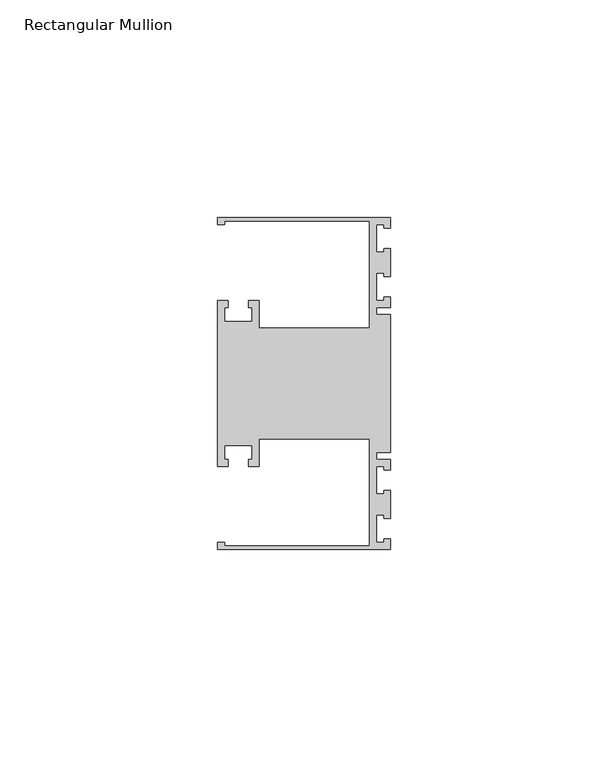
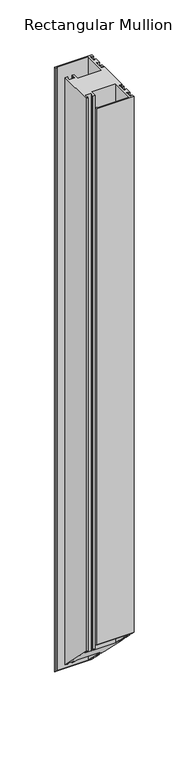
"""IFC4 building model written with IfcOpenShell, lengths in millimetres: member geometry, Rectangular Mullion."""

from ifc_helpers import new_model, si_unit, origin, place, context, project, spatial, faceted_brep, source, transform, mapped, element, save


def rectangular_mullion_d10d260d(model_context):
    return source(origin(), model_context, "Body", "Brep", [
        faceted_brep([(0.0, 38.1, 0.0), (-39.6875, 38.1, 0.0), (-39.6875, 36.5125, 0.0), (-38.1, 36.5125, 0.0), (-38.1, 37.30625, 0.0), (-4.7625, 37.30625, 0.0), (-4.7625, 12.7, 0.0), (-30.1625, 12.7, 0.0), (-30.1625, 19.05, 0.0), (-32.54375, 19.05, 0.0), (-32.54375, 17.4625, 0.0), (-31.75, 17.4625, 0.0), (-31.75, 14.2875, 0.0), (-38.1, 14.2875, 0.0), (-38.1, 17.4625, 0.0), (-37.30625, 17.4625, 0.0), (-37.30625, 19.05, 0.0), (-39.6875, 19.05, 0.0), (-39.6875, -19.05, 0.0), (-37.30625, -19.05, 0.0), (-37.30625, -17.4625, 0.0), (-38.1, -17.4625, 0.0), (-38.1, -14.2875, 0.0), (-31.75, -14.2875, 0.0), (-31.75, -17.4625, 0.0), (-32.54375, -17.4625, 0.0), (-32.54375, -19.05, 0.0), (-30.1625, -19.05, 0.0), (-30.1625, -12.7, 0.0), (-4.7625, -12.7, 0.0), (-4.7625, -37.30625, 0.0), (-38.1, -37.30625, 0.0), (-38.1, -36.5125, 0.0), (-39.6875, -36.5125, 0.0), (-39.6875, -38.1, 0.0), (0.0, -38.1, 0.0), (0.0, -35.71875, 0.0), (-1.4999946, -35.71875, 0.0), (-1.4999946, -36.5125, 0.0), (-3.175, -36.5125, 0.0), (-3.175, -30.1625, 0.0), (-1.4999946, -30.1625, 0.0), (-1.4999946, -30.95625, 0.0), (0.0, -30.95625, 0.0), (0.0, -24.60625, 0.0), (-1.4999946, -24.60625, 0.0), (-1.4999946, -25.4, 0.0), (-3.175, -25.4, 0.0), (-3.175, -19.05, 0.0), (-1.4999946, -19.05, 0.0), (-1.4999946, -19.84375, 0.0), (0.0, -19.84375, 0.0), (0.0, -17.4625, 0.0), (-3.175, -17.4625, 0.0), (-3.175, -15.875, 0.0), (0.0, -15.875, 0.0), (0.0, 15.875, 0.0), (-3.175, 15.875, 0.0), (-3.175, 17.4625, 0.0), (0.0, 17.4625, 0.0), (0.0, 19.84375, 0.0), (-1.4999946, 19.84375, 0.0), (-1.4999946, 19.05, 0.0), (-3.175, 19.05, 0.0), (-3.175, 25.4, 0.0), (-1.4999946, 25.4, 0.0), (-1.4999946, 24.60625, 0.0), (0.0, 24.60625, 0.0), (0.0, 30.95625, 0.0), (-1.4999946, 30.95625, 0.0), (-1.4999946, 30.1625, 0.0), (-3.175, 30.1625, 0.0), (-3.175, 36.5125, 0.0), (-1.4999946, 36.5125, 0.0), (-1.4999946, 35.71875, 0.0), (0.0, 35.71875, 0.0), (0.0, 38.1, -673.1), (-39.6875, 38.1, -673.1), (-39.6875, 36.5125, -671.5125), (-38.1, 36.5125, -671.5125), (-38.1, 37.30625, -672.30625), (-4.7625, 37.30625, -672.30625), (-4.7625, 12.7, -647.7), (-30.1625, 12.7, -647.7), (-30.1625, 19.05, -654.05), (-32.54375, 19.05, -654.05), (-32.54375, 17.4625, -652.4625), (-31.75, 17.4625, -652.4625), (-31.75, 14.2875, -649.2875), (-38.1, 14.2875, -649.2875), (-38.1, 17.4625, -652.4625), (-37.30625, 17.4625, -652.4625), (-37.30625, 19.05, -654.05), (-39.6875, 19.05, -654.05), (-39.6875, -19.05, -615.95), (-37.30625, -19.05, -615.95), (-37.30625, -17.4625, -617.5375), (-38.1, -17.4625, -617.5375), (-38.1, -14.2875, -620.7125), (-31.75, -14.2875, -620.7125), (-31.75, -17.4625, -617.5375), (-32.54375, -17.4625, -617.5375), (-32.54375, -19.05, -615.95), (-30.1625, -19.05, -615.95), (-30.1625, -12.7, -622.3), (-4.7625, -12.7, -622.3), (-4.7625, -37.30625, -597.69375), (-38.1, -37.30625, -597.69375), (-38.1, -36.5125, -598.4875), (-39.6875, -36.5125, -598.4875), (-39.6875, -38.1, -596.9), (0.0, -38.1, -596.9), (0.0, -35.71875, -599.28125), (-1.4999946, -35.71875, -599.28125), (-1.4999946, -36.5125, -598.4875), (-3.175, -36.5125, -598.4875), (-3.175, -30.1625, -604.8375), (-1.4999946, -30.1625, -604.8375), (-1.4999946, -30.95625, -604.04375), (0.0, -30.95625, -604.04375), (0.0, -24.60625, -610.39375), (-1.4999946, -24.60625, -610.39375), (-1.4999946, -25.4, -609.6), (-3.175, -25.4, -609.6), (-3.175, -19.05, -615.95), (-1.4999946, -19.05, -615.95), (-1.4999946, -19.84375, -615.15625), (0.0, -19.84375, -615.15625), (0.0, -17.4625, -617.5375), (-3.175, -17.4625, -617.5375), (-3.175, -15.875, -619.125), (0.0, -15.875, -619.125), (0.0, 15.875, -650.875), (-3.175, 15.875, -650.875), (-3.175, 17.4625, -652.4625), (0.0, 17.4625, -652.4625), (0.0, 19.84375, -654.84375), (-1.4999946, 19.84375, -654.84375), (-1.4999946, 19.05, -654.05), (-3.175, 19.05, -654.05), (-3.175, 25.4, -660.4), (-1.4999946, 25.4, -660.4), (-1.4999946, 24.60625, -659.60625), (0.0, 24.60625, -659.60625), (0.0, 30.95625, -665.95625), (-1.4999946, 30.95625, -665.95625), (-1.4999946, 30.1625, -665.1625), (-3.175, 30.1625, -665.1625), (-3.175, 36.5125, -671.5125), (-1.4999946, 36.5125, -671.5125), (-1.4999946, 35.71875, -670.71875), (0.0, 35.71875, -670.71875)], [[[0, 1, 2, 3, 4, 5, 6, 7, 8, 9, 10, 11, 12, 13, 14, 15, 16, 17, 18, 19, 20, 21, 22, 23, 24, 25, 26, 27, 28, 29, 30, 31, 32, 33, 34, 35, 36, 37, 38, 39, 40, 41, 42, 43, 44, 45, 46, 47, 48, 49, 50, 51, 52, 53, 54, 55, 56, 57, 58, 59, 60, 61, 62, 63, 64, 65, 66, 67, 68, 69, 70, 71, 72, 73, 74, 75]], [[1, 0, 76, 77]], [[2, 1, 77, 78]], [[3, 2, 78, 79]], [[4, 3, 79, 80]], [[5, 4, 80, 81]], [[6, 5, 81, 82]], [[7, 6, 82, 83]], [[8, 7, 83, 84]], [[9, 8, 84, 85]], [[10, 9, 85, 86]], [[11, 10, 86, 87]], [[12, 11, 87, 88]], [[13, 12, 88, 89]], [[14, 13, 89, 90]], [[15, 14, 90, 91]], [[16, 15, 91, 92]], [[17, 16, 92, 93]], [[18, 17, 93, 94]], [[19, 18, 94, 95]], [[20, 19, 95, 96]], [[21, 20, 96, 97]], [[22, 21, 97, 98]], [[23, 22, 98, 99]], [[24, 23, 99, 100]], [[25, 24, 100, 101]], [[26, 25, 101, 102]], [[27, 26, 102, 103]], [[28, 27, 103, 104]], [[29, 28, 104, 105]], [[30, 29, 105, 106]], [[31, 30, 106, 107]], [[32, 31, 107, 108]], [[33, 32, 108, 109]], [[34, 33, 109, 110]], [[35, 34, 110, 111]], [[36, 35, 111, 112]], [[37, 36, 112, 113]], [[38, 37, 113, 114]], [[39, 38, 114, 115]], [[40, 39, 115, 116]], [[41, 40, 116, 117]], [[42, 41, 117, 118]], [[43, 42, 118, 119]], [[44, 43, 119, 120]], [[45, 44, 120, 121]], [[46, 45, 121, 122]], [[47, 46, 122, 123]], [[48, 47, 123, 124]], [[49, 48, 124, 125]], [[50, 49, 125, 126]], [[51, 50, 126, 127]], [[52, 51, 127, 128]], [[53, 52, 128, 129]], [[54, 53, 129, 130]], [[55, 54, 130, 131]], [[56, 55, 131, 132]], [[57, 56, 132, 133]], [[58, 57, 133, 134]], [[59, 58, 134, 135]], [[60, 59, 135, 136]], [[61, 60, 136, 137]], [[62, 61, 137, 138]], [[63, 62, 138, 139]], [[64, 63, 139, 140]], [[65, 64, 140, 141]], [[66, 65, 141, 142]], [[67, 66, 142, 143]], [[68, 67, 143, 144]], [[69, 68, 144, 145]], [[70, 69, 145, 146]], [[71, 70, 146, 147]], [[72, 71, 147, 148]], [[73, 72, 148, 149]], [[74, 73, 149, 150]], [[75, 74, 150, 151]], [[0, 75, 151, 76]], [[76, 151, 150, 149, 148, 147, 146, 145, 144, 143, 142, 141, 140, 139, 138, 137, 136, 135, 134, 133, 132, 131, 130, 129, 128, 127, 126, 125, 124, 123, 122, 121, 120, 119, 118, 117, 116, 115, 114, 113, 112, 111, 110, 109, 108, 107, 106, 105, 104, 103, 102, 101, 100, 99, 98, 97, 96, 95, 94, 93, 92, 91, 90, 89, 88, 87, 86, 85, 84, 83, 82, 81, 80, 79, 78, 77]]]),
    ])


if __name__ == "__main__":
    model = new_model("IFC4")
    model_context = context("Model", 3, world=origin())
    ifc_project = project(units=[si_unit("LENGTHUNIT", "METRE", prefix="MILLI")], contexts=[model_context])
    site = spatial("IfcSite", under=ifc_project)
    building = spatial("IfcBuilding", under=site)
    placement = place(None, origin())
    rectangular_mullion_shape = rectangular_mullion_d10d260d(model_context)
    element("IfcMember", 1, ObjectType="Rectangular Mullion", at=placement, inside=building, context=model_context, shape_type="MappedRepresentation", body=[
        mapped(rectangular_mullion_shape, transform((0.0, 0.0, 0.0), x_axis=(1.0, 0.0, 0.0), y_axis=(0.0, 1.0, 0.0), z_axis=(0.0, 0.0, 1.0))),
    ])
    save(model, "model.ifc")
